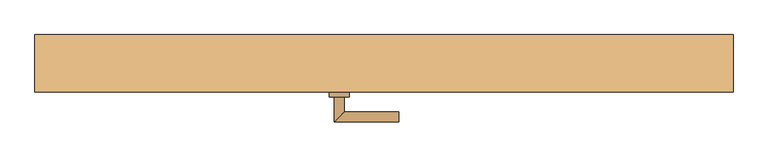
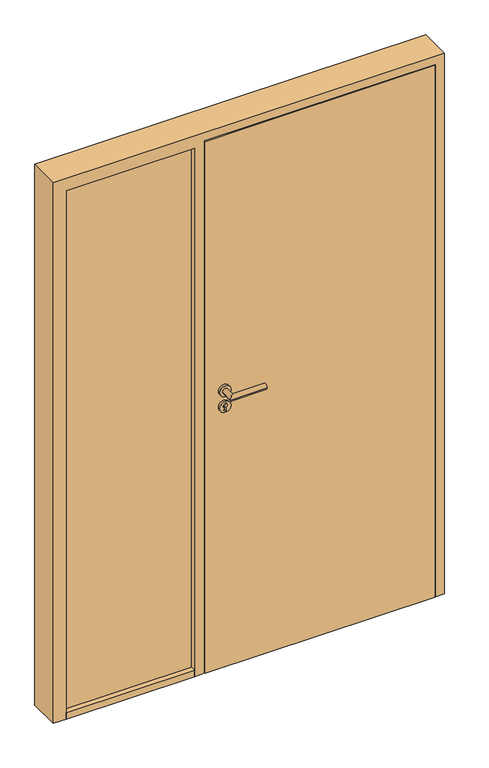
"""IFC4 building model written with IfcOpenShell, lengths in millimetres: door geometry."""

from ifc_helpers import new_model, si_unit, point, frame, frame_2d, origin, origin_with_axes, place, context, project, spatial, polyline, circle_curve, ellipse_curve, trimmed, segment, composite_curve, outline, extrude, faceted_brep, source, transform, mapped, element, save
from ifc_brep_helpers import plane_surface, cylinder_surface, advanced_brep


def door_0c04d073(model_context):
    return source(origin(), model_context, "Body", "SolidModel", [
        extrude(outline(polyline([(701.0, -57.5), (-121.0, -57.5), (-121.0, -12.5), (701.0, -12.5), (701.0, -57.5)])), origin_with_axes(), (0.0, 0.0, 1.0), 2011.0),
        advanced_brep(
        [(-45.0, -67.5, 1050.0), (-65.0, -67.5, 1050.0), (-65.0, -117.5, 1050.0), (-45.0, -97.5, 1050.0), (65.0, -97.5, 1050.0), (65.0, -117.5, 1050.0)],
        [
            (0, 1, circle_curve(frame((-55.0, -67.5, 1050.0), z_axis=(0.0, 1.0, 0.0), x_axis=(-1.0, 0.0, 0.0)), 10.0)),
            (1, 0, circle_curve(frame((-55.0, -67.5, 1050.0), z_axis=(0.0, 1.0, 0.0), x_axis=(-1.0, 0.0, 0.0)), 10.0)),
            (1, 2),
            (2, 3, ellipse_curve(frame((-55.0, -107.5, 1050.0), z_axis=(-0.7071067811865531, 0.7071067811865419, 0.0), x_axis=(0.707106781186542, 0.707106781186553, 0.0)), 14.1421356, 10.0)),
            (3, 0),
            (3, 2, ellipse_curve(frame((-55.0, -107.5, 1050.0), z_axis=(-0.7071067811865531, 0.7071067811865419, 0.0), x_axis=(0.707106781186542, 0.707106781186553, 0.0)), 14.1421356, 10.0)),
            (4, 5, circle_curve(frame((65.0, -107.5, 1050.0), z_axis=(1.0, 0.0, 0.0), x_axis=(0.0, -1.0, 0.0)), 10.0)),
            (5, 4, circle_curve(frame((65.0, -107.5, 1050.0), z_axis=(1.0, 0.0, 0.0), x_axis=(0.0, -1.0, 0.0)), 10.0)),
            (2, 5),
            (4, 3),
        ],
        [
            plane_surface(frame((-55.0, -67.5, 1050.0), z_axis=(0.0, 1.0, 0.0), x_axis=(0.0, 0.0, 1.0))),
            cylinder_surface(frame((-55.0, -67.5, 1050.0), z_axis=(0.0, 1.0, 0.0), x_axis=(-1.0, 0.0, 0.0)), 10.0),
            plane_surface(frame((65.0, -107.5, 1050.0), z_axis=(1.0, 0.0, 0.0), x_axis=(0.0, 0.0, 1.0))),
            cylinder_surface(frame((-55.0, -107.5, 1050.0), z_axis=(-1.0, 0.0, 0.0), x_axis=(0.0, -1.0, 0.0)), 10.0),
        ],
        [
            (0, [[1, 2]]),
            (1, [[3, 4, 5, -2]]),
            (1, [[-5, 6, -3, -1]]),
            (2, [[7, 8]]),
            (3, [[9, -7, 10, -4]]),
            (3, [[-10, -8, -9, -6]]),
        ],
    ),
        extrude(outline(composite_curve([segment(trimmed(circle_curve(frame_2d((990.0, -55.0)), 20.0), [point((990.0, -75.0))], [point((990.0, -35.0))], False, "CARTESIAN"), True, "CONTINUOUS"), segment(trimmed(circle_curve(frame_2d((990.0, -55.0)), 20.0), [point((990.0, -35.0))], [point((990.0, -75.0))], False, "CARTESIAN"), True, "CONTINUOUS")], self_intersect=False), holes=[composite_curve([segment(polyline([(976.4601385, -57.397268), (988.4749012, -57.397268)]), True, "CONTINUOUS"), segment(trimmed(circle_curve(frame_2d((995.0361633, -55.0)), 6.9854888), [point((988.4749012, -57.397268))], [point((988.4749012, -52.602732))], True, "CARTESIAN"), True, "CONTINUOUS"), segment(polyline([(988.4749012, -52.602732), (976.4601385, -52.602732)]), True, "CONTINUOUS"), segment(trimmed(circle_curve(frame_2d((976.4601385, -55.0)), 2.397268), [point((976.4601385, -52.602732))], [point((976.4601385, -57.397268))], True, "CARTESIAN"), True, "CONTINUOUS")], self_intersect=False)]), frame((0.0, -67.5, 0.0), z_axis=(0.0, 1.0, 0.0), x_axis=(0.0, 0.0, 1.0)), (0.0, 0.0, 1.0), 10.0),
        advanced_brep(
        [(-45.0, -67.5, 1050.0), (-65.0, -67.5, 1050.0), (-65.0, -117.5, 1050.0), (-45.0, -97.5, 1050.0), (65.0, -97.5, 1050.0), (65.0, -117.5, 1050.0)],
        [
            (0, 1, circle_curve(frame((-55.0, -67.5, 1050.0), z_axis=(0.0, 1.0, 0.0), x_axis=(-1.0, 0.0, 0.0)), 10.0)),
            (1, 0, circle_curve(frame((-55.0, -67.5, 1050.0), z_axis=(0.0, 1.0, 0.0), x_axis=(-1.0, 0.0, 0.0)), 10.0)),
            (1, 2),
            (2, 3, ellipse_curve(frame((-55.0, -107.5, 1050.0), z_axis=(-0.7071067811865537, 0.7071067811865414, 0.0), x_axis=(0.7071067811865414, 0.7071067811865536, 0.0)), 14.1421356, 10.0)),
            (3, 0),
            (3, 2, ellipse_curve(frame((-55.0, -107.5, 1050.0), z_axis=(-0.7071067811865537, 0.7071067811865414, 0.0), x_axis=(0.7071067811865414, 0.7071067811865536, 0.0)), 14.1421356, 10.0)),
            (4, 5, circle_curve(frame((65.0, -107.5, 1050.0), z_axis=(1.0, 0.0, 0.0), x_axis=(0.0, -1.0, 0.0)), 10.0)),
            (5, 4, circle_curve(frame((65.0, -107.5, 1050.0), z_axis=(1.0, 0.0, 0.0), x_axis=(0.0, -1.0, 0.0)), 10.0)),
            (2, 5),
            (4, 3),
        ],
        [
            plane_surface(frame((-55.0, -67.5, 1050.0), z_axis=(0.0, 1.0, 0.0), x_axis=(0.0, 0.0, 1.0))),
            cylinder_surface(frame((-55.0, -67.5, 1050.0), z_axis=(0.0, 1.0, 0.0), x_axis=(-1.0, 0.0, 0.0)), 10.0),
            plane_surface(frame((65.0, -107.5, 1050.0), z_axis=(1.0, 0.0, 0.0), x_axis=(0.0, 0.0, 1.0))),
            cylinder_surface(frame((-55.0, -107.5, 1050.0), z_axis=(-1.0, 0.0, 0.0), x_axis=(0.0, -1.0, 0.0)), 10.0),
        ],
        [
            (0, [[1, 2]]),
            (1, [[3, 4, 5, -2]]),
            (1, [[-5, 6, -3, -1]]),
            (2, [[7, 8]]),
            (3, [[9, -7, 10, -4]]),
            (3, [[-10, -8, -9, -6]]),
        ],
    ),
        extrude(outline(composite_curve([segment(trimmed(circle_curve(frame_2d((1050.0, -55.0)), 20.0), [point((1050.0, -75.0))], [point((1050.0, -35.0))], False, "CARTESIAN"), True, "CONTINUOUS"), segment(trimmed(circle_curve(frame_2d((1050.0, -55.0)), 20.0), [point((1050.0, -35.0))], [point((1050.0, -75.0))], False, "CARTESIAN"), True, "CONTINUOUS")], self_intersect=False)), frame((0.0, -67.5, 0.0), z_axis=(0.0, 1.0, 0.0), x_axis=(0.0, 0.0, 1.0)), (0.0, 0.0, 1.0), 10.0),
        advanced_brep(
        [(-45.0, -2.5, 1050.0), (-65.0, -2.5, 1050.0), (-45.0, 27.5, 1050.0), (-65.0, 47.5, 1050.0), (65.0, 27.5, 1050.0), (65.0, 47.5, 1050.0)],
        [
            (0, 1, circle_curve(frame((-55.0, -2.5, 1050.0), z_axis=(0.0, -1.0, 0.0), x_axis=(-1.0, 0.0, 0.0)), 10.0)),
            (1, 0, circle_curve(frame((-55.0, -2.5, 1050.0), z_axis=(0.0, -1.0, 0.0), x_axis=(-1.0, 0.0, 0.0)), 10.0)),
            (0, 2),
            (2, 3, ellipse_curve(frame((-55.0, 37.5, 1050.0), z_axis=(-0.7071067811865486, -0.7071067811865464, 0.0), x_axis=(0.7071067811865464, -0.7071067811865488, 0.0)), 14.1421356, 10.0)),
            (3, 1),
            (3, 2, ellipse_curve(frame((-55.0, 37.5, 1050.0), z_axis=(-0.7071067811865486, -0.7071067811865464, 0.0), x_axis=(0.7071067811865464, -0.7071067811865488, 0.0)), 14.1421356, 10.0)),
            (4, 5, circle_curve(frame((65.0, 37.5, 1050.0), z_axis=(1.0, 0.0, 0.0), x_axis=(0.0, 1.0, 0.0)), 10.0)),
            (5, 4, circle_curve(frame((65.0, 37.5, 1050.0), z_axis=(1.0, 0.0, 0.0), x_axis=(0.0, 1.0, 0.0)), 10.0)),
            (2, 4),
            (5, 3),
        ],
        [
            plane_surface(frame((-55.0, -2.5, 1050.0), z_axis=(0.0, -1.0, 0.0), x_axis=(0.0, 0.0, 1.0))),
            cylinder_surface(frame((-55.0, -2.5, 1050.0), z_axis=(0.0, -1.0, 0.0), x_axis=(-1.0, 0.0, 0.0)), 10.0),
            plane_surface(frame((65.0, 37.5, 1050.0), z_axis=(1.0, 0.0, 0.0), x_axis=(0.0, 0.0, 1.0))),
            cylinder_surface(frame((-55.0, 37.5, 1050.0), z_axis=(-1.0, 0.0, 0.0), x_axis=(0.0, 1.0, 0.0)), 10.0),
        ],
        [
            (0, [[1, 2]]),
            (1, [[-1, 3, 4, 5]]),
            (1, [[-2, -5, 6, -3]]),
            (2, [[7, 8]]),
            (3, [[-4, 9, -8, 10]]),
            (3, [[-6, -10, -7, -9]]),
        ],
    ),
        extrude(outline(composite_curve([segment(trimmed(circle_curve(frame_2d((990.0, -55.0)), 20.0), [point((990.0, -75.0))], [point((990.0, -35.0))], False, "CARTESIAN"), True, "CONTINUOUS"), segment(trimmed(circle_curve(frame_2d((990.0, -55.0)), 20.0), [point((990.0, -35.0))], [point((990.0, -75.0))], False, "CARTESIAN"), True, "CONTINUOUS")], self_intersect=False), holes=[composite_curve([segment(polyline([(976.4601385, -57.397268), (988.4749012, -57.397268)]), True, "CONTINUOUS"), segment(trimmed(circle_curve(frame_2d((995.0361633, -55.0)), 6.9854888), [point((988.4749012, -57.397268))], [point((988.4749012, -52.602732))], True, "CARTESIAN"), True, "CONTINUOUS"), segment(polyline([(988.4749012, -52.602732), (976.4601385, -52.602732)]), True, "CONTINUOUS"), segment(trimmed(circle_curve(frame_2d((976.4601385, -55.0)), 2.397268), [point((976.4601385, -52.602732))], [point((976.4601385, -57.397268))], True, "CARTESIAN"), True, "CONTINUOUS")], self_intersect=False)]), frame((0.0, -12.5, 0.0), z_axis=(0.0, 1.0, 0.0), x_axis=(0.0, 0.0, 1.0)), (0.0, 0.0, 1.0), 10.0),
        advanced_brep(
        [(-45.0, -2.5, 1050.0), (-65.0, -2.5, 1050.0), (-45.0, 27.5, 1050.0), (-65.0, 47.5, 1050.0), (65.0, 27.5, 1050.0), (65.0, 47.5, 1050.0)],
        [
            (0, 1, circle_curve(frame((-55.0, -2.5, 1050.0), z_axis=(0.0, -1.0, 0.0), x_axis=(-1.0, 0.0, 0.0)), 10.0)),
            (1, 0, circle_curve(frame((-55.0, -2.5, 1050.0), z_axis=(0.0, -1.0, 0.0), x_axis=(-1.0, 0.0, 0.0)), 10.0)),
            (0, 2),
            (2, 3, ellipse_curve(frame((-55.0, 37.5, 1050.0), z_axis=(-0.7071067811865491, -0.7071067811865459, 0.0), x_axis=(0.7071067811865458, -0.7071067811865492, 0.0)), 14.1421356, 10.0)),
            (3, 1),
            (3, 2, ellipse_curve(frame((-55.0, 37.5, 1050.0), z_axis=(-0.7071067811865491, -0.7071067811865459, 0.0), x_axis=(0.7071067811865458, -0.7071067811865492, 0.0)), 14.1421356, 10.0)),
            (4, 5, circle_curve(frame((65.0, 37.5, 1050.0), z_axis=(1.0, 0.0, 0.0), x_axis=(0.0, 1.0, 0.0)), 10.0)),
            (5, 4, circle_curve(frame((65.0, 37.5, 1050.0), z_axis=(1.0, 0.0, 0.0), x_axis=(0.0, 1.0, 0.0)), 10.0)),
            (2, 4),
            (5, 3),
        ],
        [
            plane_surface(frame((-55.0, -2.5, 1050.0), z_axis=(0.0, -1.0, 0.0), x_axis=(0.0, 0.0, 1.0))),
            cylinder_surface(frame((-55.0, -2.5, 1050.0), z_axis=(0.0, -1.0, 0.0), x_axis=(-1.0, 0.0, 0.0)), 10.0),
            plane_surface(frame((65.0, 37.5, 1050.0), z_axis=(1.0, 0.0, 0.0), x_axis=(0.0, 0.0, 1.0))),
            cylinder_surface(frame((-55.0, 37.5, 1050.0), z_axis=(-1.0, 0.0, 0.0), x_axis=(0.0, 1.0, 0.0)), 10.0),
        ],
        [
            (0, [[1, 2]]),
            (1, [[-1, 3, 4, 5]]),
            (1, [[-2, -5, 6, -3]]),
            (2, [[7, 8]]),
            (3, [[-4, 9, -8, 10]]),
            (3, [[-6, -10, -7, -9]]),
        ],
    ),
        extrude(outline(composite_curve([segment(trimmed(circle_curve(frame_2d((1050.0, -55.0)), 20.0), [point((1050.0, -75.0))], [point((1050.0, -35.0))], False, "CARTESIAN"), True, "CONTINUOUS"), segment(trimmed(circle_curve(frame_2d((1050.0, -55.0)), 20.0), [point((1050.0, -35.0))], [point((1050.0, -75.0))], False, "CARTESIAN"), True, "CONTINUOUS")], self_intersect=False)), frame((0.0, -12.5, 0.0), z_axis=(0.0, 1.0, 0.0), x_axis=(0.0, 0.0, 1.0)), (0.0, 0.0, 1.0), 10.0),
        extrude(outline(polyline([(-160.0, -57.5), (-620.0, -57.5), (-620.0, 2.5), (-160.0, 2.5), (-160.0, -57.5)])), origin_with_axes(), (0.0, 0.0, 1.0), 25.0),
        extrude(outline(polyline([(-160.0, -39.5), (-620.0, -39.5), (-620.0, -15.5), (-160.0, -15.5), (-160.0, -39.5)])), frame((0.0, 0.0, 25.0), z_axis=(0.0, 0.0, 1.0), x_axis=(1.0, 0.0, 0.0)), (0.0, 0.0, 1.0), 1975.0),
        faceted_brep([(-665.0, 57.5, 0.0), (-620.0, 57.5, 0.0), (-620.0, -57.5, 0.0), (-665.0, -57.5, 0.0), (-665.0, -57.5, 2045.0), (-665.0, 57.5, 2045.0), (-620.0, -57.5, 2000.0), (-160.0, -57.5, 2000.0), (-160.0, -57.5, 0.0), (-125.0, -57.5, 0.0), (-125.0, -57.5, 2015.0), (705.0, -57.5, 2015.0), (705.0, -57.5, 0.0), (735.0, -57.5, 0.0), (735.0, -57.5, 2045.0), (-620.0, 57.5, 2000.0), (735.0, 57.5, 2045.0), (735.0, 57.5, 0.0), (690.0, 57.5, 0.0), (690.0, 57.5, 2000.0), (705.0, -12.5, 0.0), (690.0, -12.5, 0.0), (705.0, -12.5, 2015.0), (-125.0, -12.5, 0.0), (-125.0, -12.5, 2015.0), (-160.0, 2.5, 0.0), (-110.0, 2.5, 0.0), (-110.0, -12.5, 0.0), (-160.0, 2.5, 2000.0), (690.0, -12.5, 2000.0), (-110.0, -12.5, 2000.0), (-110.0, 2.5, 2000.0)], [[[0, 1, 2, 3]], [[3, 4, 5, 0]], [[2, 6, 7, 8, 9, 10, 11, 12, 13, 14, 4, 3]], [[1, 15, 6, 2]], [[5, 16, 17, 18, 19, 15, 1, 0]], [[13, 17, 16, 14]], [[12, 20, 21, 18, 17, 13]], [[11, 22, 20, 12]], [[23, 24, 10, 9]], [[8, 25, 26, 27, 23, 9]], [[8, 7, 28, 25]], [[18, 21, 29, 19]], [[20, 22, 24, 23, 27, 30, 29, 21]], [[26, 31, 30, 27]], [[25, 28, 31, 26]], [[14, 16, 5, 4]], [[15, 19, 29, 30, 31, 28, 7, 6]], [[11, 10, 24, 22]]]),
    ])


if __name__ == "__main__":
    model = new_model("IFC4")
    model_context = context("Model", 3, world=origin())
    ifc_project = project(units=[si_unit("LENGTHUNIT", "METRE", prefix="MILLI")], contexts=[model_context])
    site = spatial("IfcSite", under=ifc_project)
    building = spatial("IfcBuilding", under=site)
    placement = place(None, origin())
    door_shape = door_0c04d073(model_context)
    element("IfcDoor", 1, at=placement, inside=building, context=model_context, shape_type="MappedRepresentation", body=[
        mapped(door_shape, transform((0.0, 0.0, 0.0), x_axis=(1.0, 0.0, 0.0), y_axis=(0.0, 1.0, 0.0), z_axis=(0.0, 0.0, 1.0))),
    ])
    save(model, "model.ifc")
